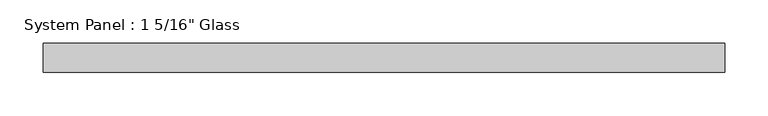
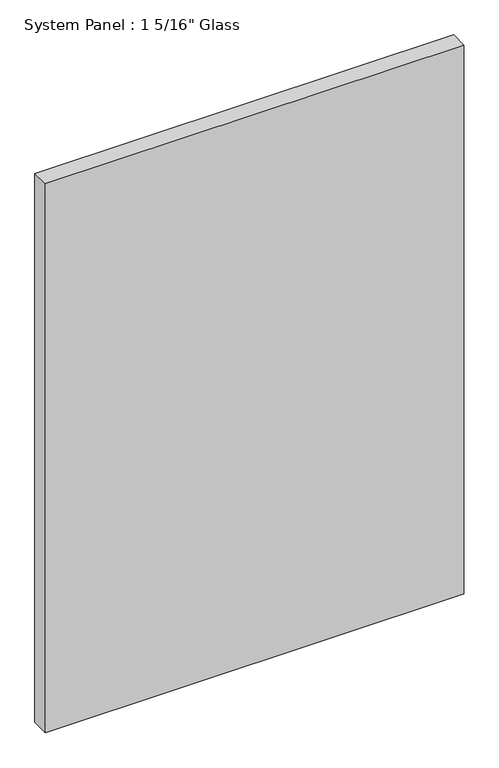
"""IFC4 building model written with IfcOpenShell, lengths in millimetres: plate geometry."""

from ifc_helpers import new_model, si_unit, origin, origin_with_axes, place, context, project, spatial, polyline, outline, extrude, source, transform, mapped, element, save


def plate_98b9d0e6(model_context):
    return source(origin(), model_context, "Body", "SweptSolid", [
        extrude(outline(polyline([(393.7, -16.66875), (-393.7, -16.66875), (-393.7, 16.66875), (393.7, 16.66875), (393.7, -16.66875)])), origin_with_axes(), (0.0, 0.0, 1.0), 1092.2),
    ])


if __name__ == "__main__":
    model = new_model("IFC4")
    model_context = context("Model", 3, world=origin())
    ifc_project = project(units=[si_unit("LENGTHUNIT", "METRE", prefix="MILLI")], contexts=[model_context])
    site = spatial("IfcSite", under=ifc_project)
    building = spatial("IfcBuilding", under=site)
    placement = place(None, origin())
    plate_shape = plate_98b9d0e6(model_context)
    element("IfcPlate", 1, ObjectType="System Panel : 1 5/16\" Glass", at=placement, inside=building, context=model_context, shape_type="MappedRepresentation", body=[
        mapped(plate_shape, transform((0.0, 0.0, 0.0), x_axis=(1.0, 0.0, 0.0), y_axis=(0.0, 1.0, 0.0), z_axis=(0.0, 0.0, 1.0))),
    ])
    save(model, "model.ifc")
